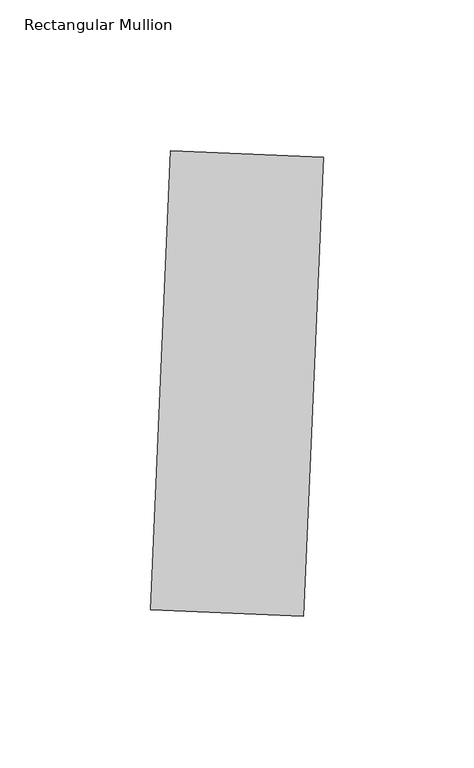
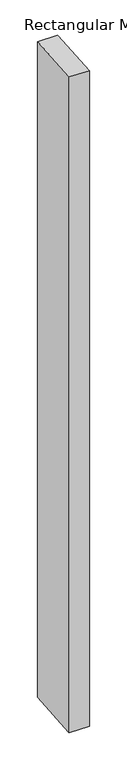
"""IFC4 building model written with IfcOpenShell, lengths in millimetres: member geometry, Rectangular Mullion."""

from ifc_helpers import new_model, si_unit, frame, origin, place, context, project, spatial, polyline, outline, extrude, source, transform, mapped, element, save


def rectangular_mullion_460073ff(model_context):
    return source(origin(), model_context, "Body", "SweptSolid", [
        extrude(outline(polyline([(19.9746542, -115.2900785), (-30.7769955, -113.0742136), (-24.1294008, 39.1807354), (26.6222488, 36.9648705), (19.9746542, -115.2900785)])), frame((0.0, 0.0, -1765.3), z_axis=(0.0, 0.0, 1.0), x_axis=(1.0, 0.0, 0.0)), (0.0, 0.0, 1.0), 1765.3),
    ])


if __name__ == "__main__":
    model = new_model("IFC4")
    model_context = context("Model", 3, world=origin())
    ifc_project = project(units=[si_unit("LENGTHUNIT", "METRE", prefix="MILLI")], contexts=[model_context])
    site = spatial("IfcSite", under=ifc_project)
    building = spatial("IfcBuilding", under=site)
    placement = place(None, origin())
    rectangular_mullion_shape = rectangular_mullion_460073ff(model_context)
    element("IfcMember", 1, ObjectType="Rectangular Mullion", at=placement, inside=building, context=model_context, shape_type="MappedRepresentation", body=[
        mapped(rectangular_mullion_shape, transform((0.0, 0.0, 0.0), x_axis=(1.0, 0.0, 0.0), y_axis=(0.0, 1.0, 0.0), z_axis=(0.0, 0.0, 1.0))),
    ])
    save(model, "model.ifc")
